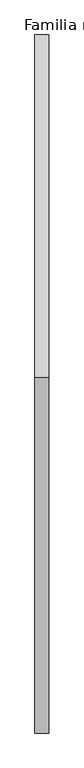
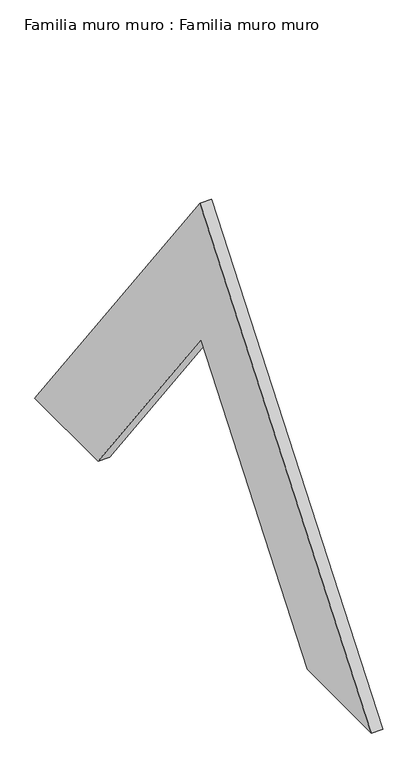
"""IFC4 building model written with IfcOpenShell, lengths in millimetres: plate geometry, Familia muro muro : Familia muro muro."""

from ifc_helpers import new_model, si_unit, frame, origin, place, context, project, spatial, polyline, outline, extrude, source, transform, mapped, element, save


def familia_muro_muro_familia_muro_muro_875530b6(model_context):
    return source(origin(), model_context, "Body", "SweptSolid", [
        extrude(outline(polyline([(-490.9659697, 651.5338476), (0.0, 0.0), (-187.8203487, 0.0), (-493.116205, 405.1412851), (-809.6472677, 0.0), (-1000.0, 0.0), (-490.9659697, 651.5338476)])), frame((0.0, 0.0, 0.0), z_axis=(1.0, 0.0, 0.0), x_axis=(0.0, 1.0, 0.0)), (0.0, 0.0, 1.0), 20.0),
    ])


if __name__ == "__main__":
    model = new_model("IFC4")
    model_context = context("Model", 3, world=origin())
    ifc_project = project(units=[si_unit("LENGTHUNIT", "METRE", prefix="MILLI")], contexts=[model_context])
    site = spatial("IfcSite", under=ifc_project)
    building = spatial("IfcBuilding", under=site)
    placement = place(None, origin())
    familia_muro_muro_familia_muro_muro_shape = familia_muro_muro_familia_muro_muro_875530b6(model_context)
    element("IfcPlate", 1, ObjectType="Familia muro muro : Familia muro muro", at=placement, inside=building, context=model_context, shape_type="MappedRepresentation", body=[
        mapped(familia_muro_muro_familia_muro_muro_shape, transform((0.0, 0.0, 0.0), x_axis=(1.0, 0.0, 0.0), y_axis=(0.0, 1.0, 0.0), z_axis=(0.0, 0.0, 1.0))),
    ])
    save(model, "model.ifc")
